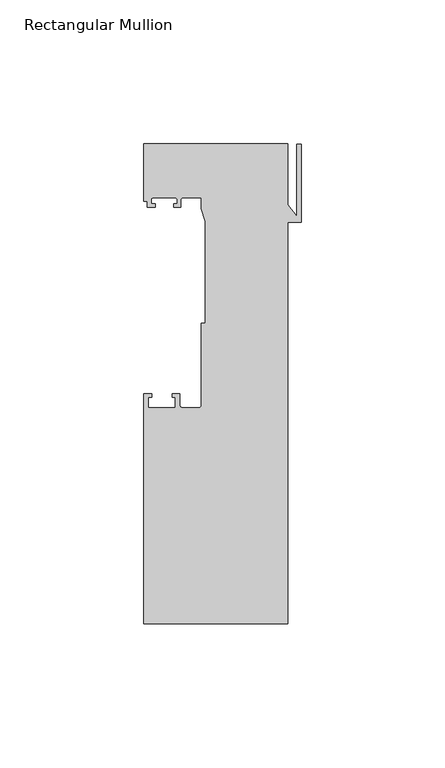
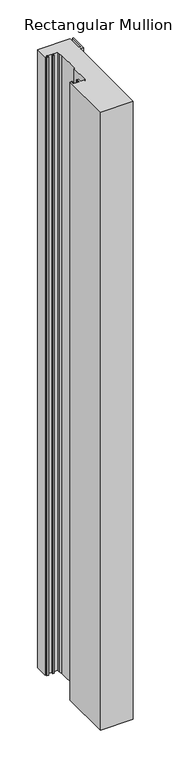
"""IFC4 building model written with IfcOpenShell, lengths in millimetres: member geometry, Rectangular Mullion."""

from ifc_helpers import new_model, si_unit, point, frame, frame_2d, origin, place, context, project, spatial, polyline, circle_curve, trimmed, segment, composite_curve, outline, extrude, source, transform, mapped, element, save


def rectangular_mullion_2b6cad5a(model_context):
    return source(origin(), model_context, "Body", "SweptSolid", [
        extrude(outline(composite_curve([segment(polyline([(-54.6704163, -74.5), (-54.6704163, 5.5), (-51.8704163, 5.5), (-51.8704163, 4.2), (-53.1704163, 4.2), (-53.1704163, 0.5), (-43.6704163, 0.5), (-43.6704163, 4.2), (-44.8704163, 4.2), (-44.8704163, 5.5), (-42.1704163, 5.5), (-42.1704163, 1.5)]), True, "CONTINUOUS"), segment(trimmed(circle_curve(frame_2d((-41.1704163, 1.5)), 1.0), [point((-42.1704163, 1.5))], [point((-41.1704163, 0.5))], True, "CARTESIAN"), True, "CONTINUOUS"), segment(polyline([(-41.1704163, 0.5), (-35.6704163, 0.5)]), True, "CONTINUOUS"), segment(trimmed(circle_curve(frame_2d((-35.6704163, 1.5)), 1.0), [point((-35.6704163, 0.5))], [point((-34.6704163, 1.5))], True, "CARTESIAN"), True, "CONTINUOUS"), segment(polyline([(-34.6704163, 1.5), (-34.6704163, 30.0), (-33.3704163, 30.0), (-33.3704163, 65.3046824), (-34.6704163, 69.6597214), (-34.6704163, 73.5), (-41.3204163, 73.5)]), True, "CONTINUOUS"), segment(trimmed(circle_curve(frame_2d((-41.3204163, 73.0)), 0.5), [point((-41.3204163, 73.5))], [point((-41.8204163, 73.0))], True, "CARTESIAN"), True, "CONTINUOUS"), segment(polyline([(-41.8204163, 73.0), (-41.8204163, 70.3), (-44.2204163, 70.3), (-44.2204163, 71.5), (-43.1204163, 71.5), (-43.1204163, 73.0)]), True, "CONTINUOUS"), segment(trimmed(circle_curve(frame_2d((-43.6204163, 73.0)), 0.5), [point((-43.1204163, 73.0))], [point((-43.6204163, 73.5))], True, "CARTESIAN"), True, "CONTINUOUS"), segment(polyline([(-43.6204163, 73.5), (-51.6204163, 73.5)]), True, "CONTINUOUS"), segment(trimmed(circle_curve(frame_2d((-51.6204163, 73.0)), 0.5), [point((-51.6204163, 73.5))], [point((-52.1204163, 73.0))], True, "CARTESIAN"), True, "CONTINUOUS"), segment(polyline([(-52.1204163, 73.0), (-52.1204163, 71.5), (-50.7204163, 71.5), (-50.7204163, 70.3), (-53.4204163, 70.3), (-53.4204163, 72.3), (-54.6704163, 72.3), (-54.6704163, 92.3), (-4.6704163, 92.3), (-4.6704163, 71.1838655), (-1.5, 67.1113944), (-1.5, 92.1828622), (0.0, 92.1828622), (0.0, 65.0), (-4.6704163, 65.0), (-4.6704163, -74.5), (-54.6704163, -74.5)]), True, "CONTINUOUS")], self_intersect=False)), frame((0.0, 0.0, -1000.0), z_axis=(0.0, 0.0, 1.0), x_axis=(1.0, 0.0, 0.0)), (0.0, 0.0, 1.0), 1000.0),
    ])


if __name__ == "__main__":
    model = new_model("IFC4")
    model_context = context("Model", 3, world=origin())
    ifc_project = project(units=[si_unit("LENGTHUNIT", "METRE", prefix="MILLI")], contexts=[model_context])
    site = spatial("IfcSite", under=ifc_project)
    building = spatial("IfcBuilding", under=site)
    placement = place(None, origin())
    rectangular_mullion_shape = rectangular_mullion_2b6cad5a(model_context)
    element("IfcMember", 1, ObjectType="Rectangular Mullion", at=placement, inside=building, context=model_context, shape_type="MappedRepresentation", body=[
        mapped(rectangular_mullion_shape, transform((0.0, 0.0, 0.0), x_axis=(1.0, 0.0, 0.0), y_axis=(0.0, 1.0, 0.0), z_axis=(0.0, 0.0, 1.0))),
    ])
    save(model, "model.ifc")
